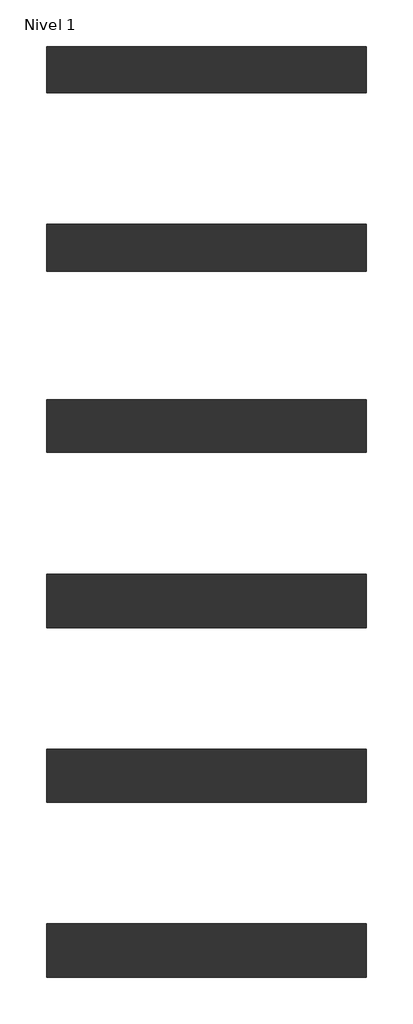
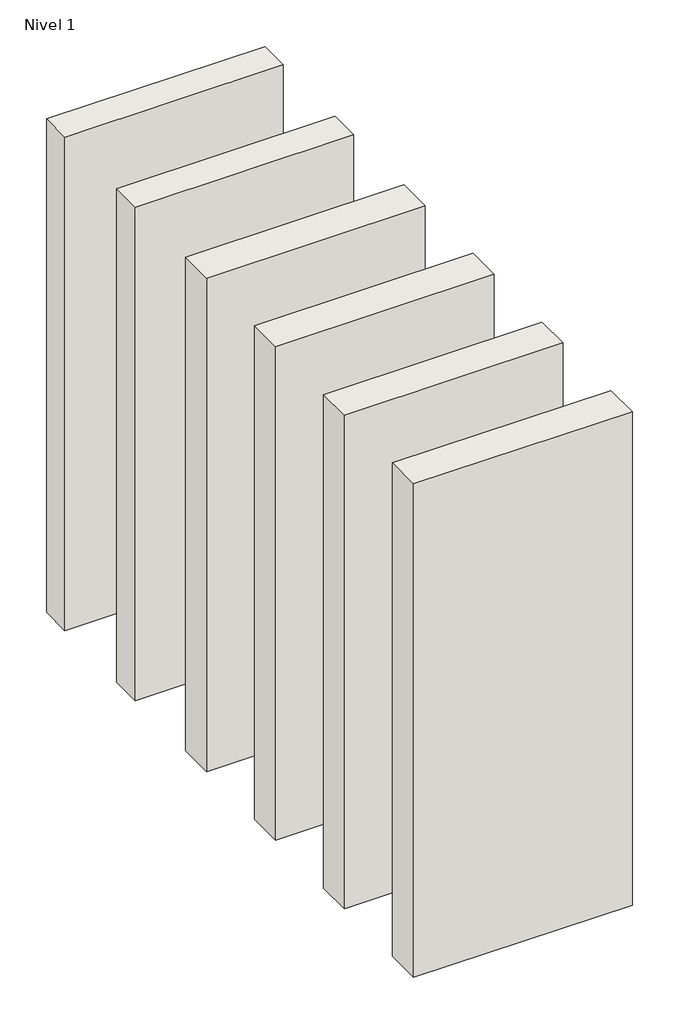
# One storey: 6 walls.
"""IFC4 building model written with IfcOpenShell, lengths in millimetres."""

from ifc_helpers import new_model, si_unit, origin, origin_with_axes, place, context, project, spatial, polyline, outline, extrude, element, save

model = new_model("IFC4")

# Units and contexts
model_context = context("Model", 3, world=origin())
ifc_project = project(units=[si_unit("LENGTHUNIT", "METRE", prefix="MILLI")], contexts=[model_context])

# Site, building, storey
site = spatial("IfcSite", under=ifc_project)
building = spatial("IfcBuilding", under=site)
storey = spatial("IfcBuildingStorey", under=building, Name="Nivel 1", Elevation=0.0)

# Walls
placement = place(None, origin())
element("IfcWall", 1, at=placement, inside=storey, context=model_context, shape_type="SweptSolid", body=[
    extrude(outline(polyline([(793.6737924, -2041.2945576), (-462.9948721, -2041.2945576), (-462.9948721, -1858.7945576), (793.6737924, -1858.7945576), (793.6737924, -2041.2945576)])), origin_with_axes(), (0.0, 0.0, 1.0), 3000.0),
])
element("IfcWall", 2, at=placement, inside=storey, context=model_context, shape_type="SweptSolid", body=[
    extrude(outline(polyline([(793.6737924, -2742.7945576), (-462.9948721, -2742.7945576), (-462.9948721, -2557.2945576), (793.6737924, -2557.2945576), (793.6737924, -2742.7945576)])), origin_with_axes(), (0.0, 0.0, 1.0), 3000.0),
])
element("IfcWall", 3, at=placement, inside=storey, context=model_context, shape_type="SweptSolid", body=[
    extrude(outline(polyline([(793.6737924, -3453.7945576), (-462.9948721, -3453.7945576), (-462.9948721, -3246.2945576), (793.6737924, -3246.2945576), (793.6737924, -3453.7945576)])), origin_with_axes(), (0.0, 0.0, 1.0), 3000.0),
])
element("IfcWall", 4, at=placement, inside=storey, context=model_context, shape_type="SweptSolid", body=[
    extrude(outline(polyline([(793.6737924, -4142.7945576), (-462.9948721, -4142.7945576), (-462.9948721, -3932.2945576), (793.6737924, -3932.2945576), (793.6737924, -4142.7945576)])), origin_with_axes(), (0.0, 0.0, 1.0), 3000.0),
])
element("IfcWall", 5, at=placement, inside=storey, context=model_context, shape_type="SweptSolid", body=[
    extrude(outline(polyline([(793.6737924, -4828.7945576), (-462.9948721, -4828.7945576), (-462.9948721, -4621.2945576), (793.6737924, -4621.2945576), (793.6737924, -4828.7945576)])), origin_with_axes(), (0.0, 0.0, 1.0), 3000.0),
])
element("IfcWall", 6, at=placement, inside=storey, context=model_context, shape_type="SweptSolid", body=[
    extrude(outline(polyline([(793.6737924, -5517.7945576), (-462.9948721, -5517.7945576), (-462.9948721, -5307.2945576), (793.6737924, -5307.2945576), (793.6737924, -5517.7945576)])), origin_with_axes(), (0.0, 0.0, 1.0), 3000.0),
])

save(model, "model.ifc")
